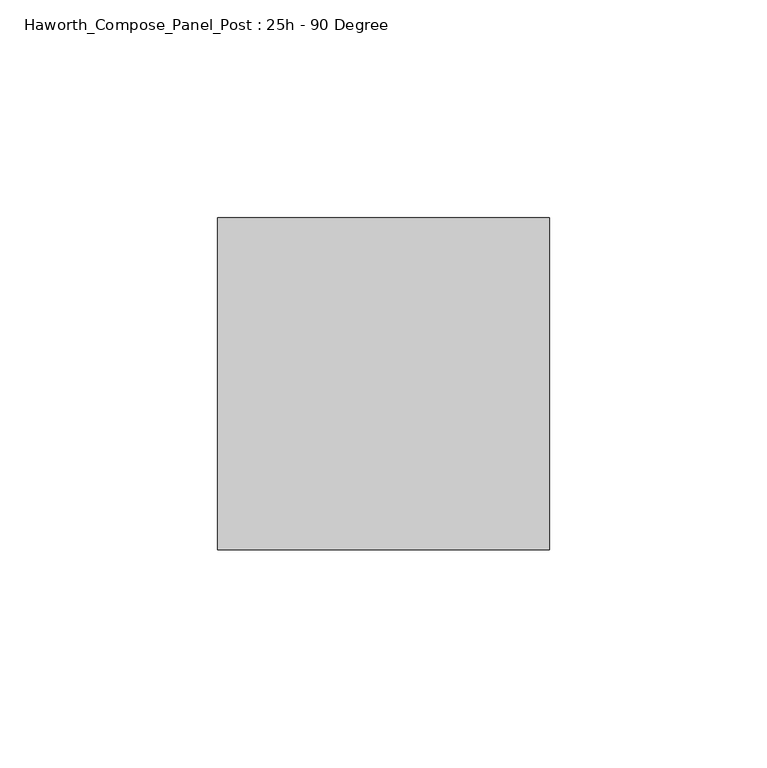
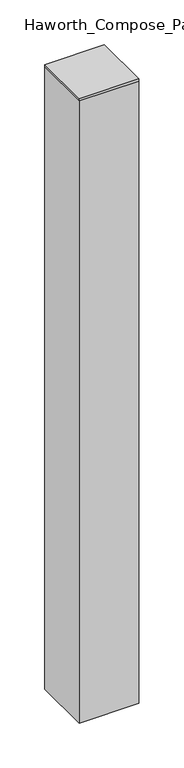
"""IFC4 building model written with IfcOpenShell, lengths in millimetres: furniture geometry, Haworth_Compose_Panel_Post : 25h - 90 Degree."""

from ifc_helpers import new_model, si_unit, frame, origin, place, context, project, spatial, polyline, outline, extrude, source, transform, mapped, element, save


def haworth_compose_panel_post_25h_90_degree_28cf6a98(model_context):
    return source(origin(), model_context, "Body", "SweptSolid", [
        extrude(outline(polyline([(0.0, 38.1), (76.2, 38.1), (76.2, -38.1), (0.0, -38.1), (0.0, 38.1)])), frame((0.0, 0.0, 857.25), z_axis=(0.0, 0.0, 1.0), x_axis=(1.0, 0.0, 0.0)), (0.0, 0.0, 1.0), 3.175),
        extrude(outline(polyline([(76.2, 38.1), (76.2, -38.1), (0.0, -38.1), (0.0, 38.1), (76.2, 38.1)])), frame((0.0, 0.0, 12.7), z_axis=(0.0, 0.0, 1.0), x_axis=(1.0, 0.0, 0.0)), (0.0, 0.0, 1.0), 844.55),
    ])


if __name__ == "__main__":
    model = new_model("IFC4")
    model_context = context("Model", 3, world=origin())
    ifc_project = project(units=[si_unit("LENGTHUNIT", "METRE", prefix="MILLI")], contexts=[model_context])
    site = spatial("IfcSite", under=ifc_project)
    building = spatial("IfcBuilding", under=site)
    placement = place(None, origin())
    haworth_compose_panel_post_25h_90_degree_shape = haworth_compose_panel_post_25h_90_degree_28cf6a98(model_context)
    element("IfcFurniture", 1, ObjectType="Haworth_Compose_Panel_Post : 25h - 90 Degree", at=placement, inside=building, context=model_context, shape_type="MappedRepresentation", body=[
        mapped(haworth_compose_panel_post_25h_90_degree_shape, transform((0.0, 0.0, 0.0), x_axis=(1.0, 0.0, 0.0), y_axis=(0.0, 1.0, 0.0), z_axis=(0.0, 0.0, 1.0))),
    ])
    save(model, "model.ifc")
